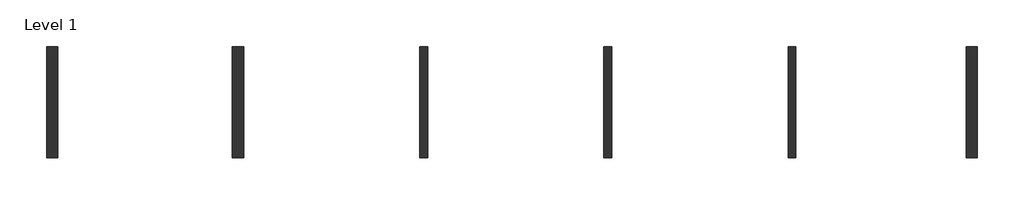
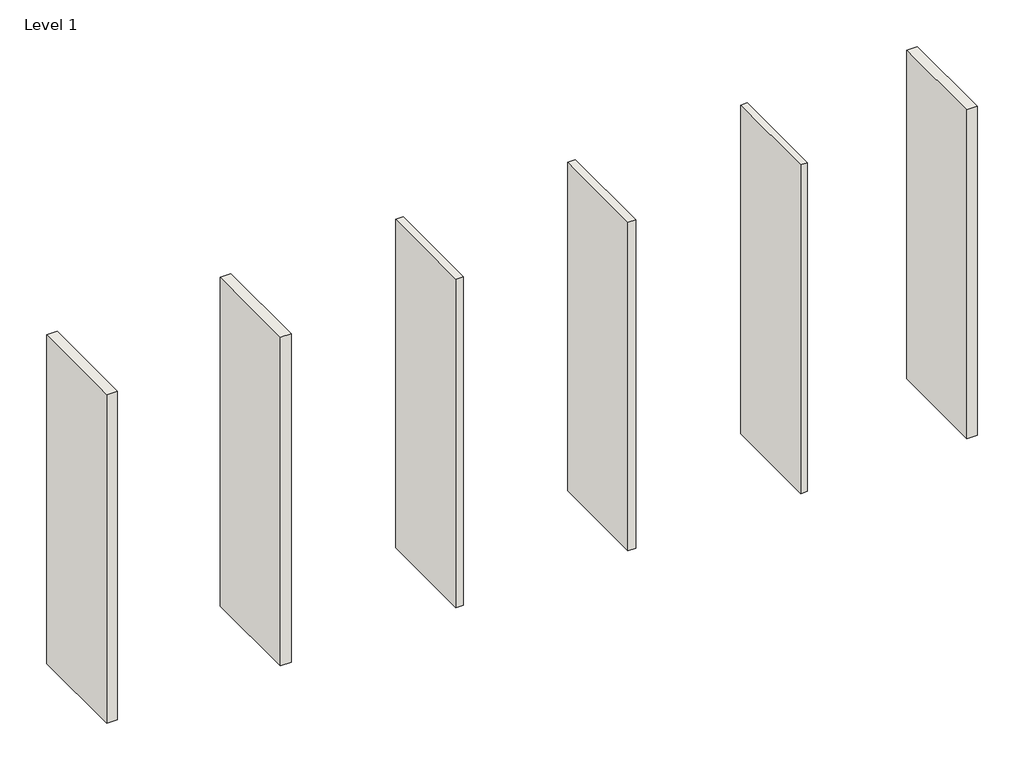
# One storey: 6 walls.
"""IFC4 building model written with IfcOpenShell, lengths in millimetres."""

from ifc_helpers import new_model, si_unit, origin, origin_with_axes, place, context, project, spatial, polyline, outline, extrude, element, save

model = new_model("IFC4")

# Units and contexts
model_context = context("Model", 3, world=origin())
ifc_project = project(units=[si_unit("LENGTHUNIT", "METRE", prefix="MILLI")], contexts=[model_context])

# Site, building, storey
site = spatial("IfcSite", under=ifc_project)
building = spatial("IfcBuilding", under=site)
storey = spatial("IfcBuildingStorey", under=building, Name="Level 1", Elevation=0.0)

# Walls
placement = place(None, origin())
element("IfcWall", 1, at=placement, inside=storey, context=model_context, shape_type="SweptSolid", body=[
    extrude(outline(polyline([(159.2243277, 3049.3319169), (159.2243277, 4249.3319169), (282.2243277, 4249.3319169), (282.2243277, 3049.3319169), (159.2243277, 3049.3319169)])), origin_with_axes(), (0.0, 0.0, 1.0), 4000.0),
])
element("IfcWall", 2, at=placement, inside=storey, context=model_context, shape_type="SweptSolid", body=[
    extrude(outline(polyline([(2159.2243277, 3049.3319169), (2159.2243277, 4249.3319169), (2282.2243277, 4249.3319169), (2282.2243277, 3049.3319169), (2159.2243277, 3049.3319169)])), origin_with_axes(), (0.0, 0.0, 1.0), 4000.0),
])
element("IfcWall", 3, at=placement, inside=storey, context=model_context, shape_type="SweptSolid", body=[
    extrude(outline(polyline([(8147.7243277, 3049.3319169), (8147.7243277, 4249.3319169), (8223.7243277, 4249.3319169), (8223.7243277, 3049.3319169), (8147.7243277, 3049.3319169)])), origin_with_axes(), (0.0, 0.0, 1.0), 4000.0),
])
element("IfcWall", 4, ObjectType="JUMBO Acoustic Wall 63/120/S56", at=placement, inside=storey, context=model_context, shape_type="SweptSolid", body=[
    extrude(outline(polyline([(10059.2243277, 3049.3319169), (10059.2243277, 4249.3319169), (10182.2243277, 4249.3319169), (10182.2243277, 3049.3319169), (10059.2243277, 3049.3319169)])), origin_with_axes(), (0.0, 0.0, 1.0), 4000.0),
])
element("IfcWall", 5, ObjectType="JUMBO Drywall 90mm", at=placement, inside=storey, context=model_context, shape_type="SweptSolid", body=[
    extrude(outline(polyline([(6159.2243277, 3049.3319169), (6159.2243277, 4249.3319169), (6247.2243277, 4249.3319169), (6247.2243277, 3049.3319169), (6159.2243277, 3049.3319169)])), origin_with_axes(), (0.0, 0.0, 1.0), 4000.0),
])
element("IfcWall", 6, ObjectType="JUMBO MoistureWall", at=placement, inside=storey, context=model_context, shape_type="SweptSolid", body=[
    extrude(outline(polyline([(4176.7243277, 3049.3319169), (4176.7243277, 4249.3319169), (4264.7243277, 4249.3319169), (4264.7243277, 3049.3319169), (4176.7243277, 3049.3319169)])), origin_with_axes(), (0.0, 0.0, 1.0), 4000.0),
])

save(model, "model.ifc")
